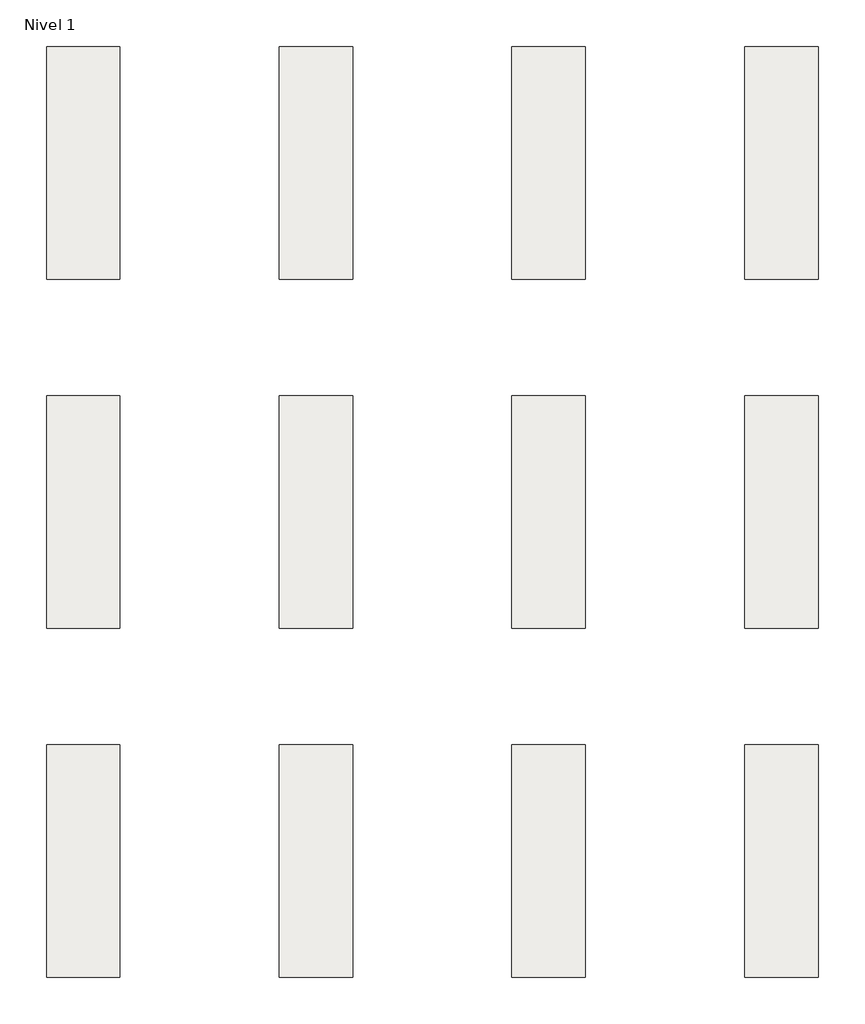
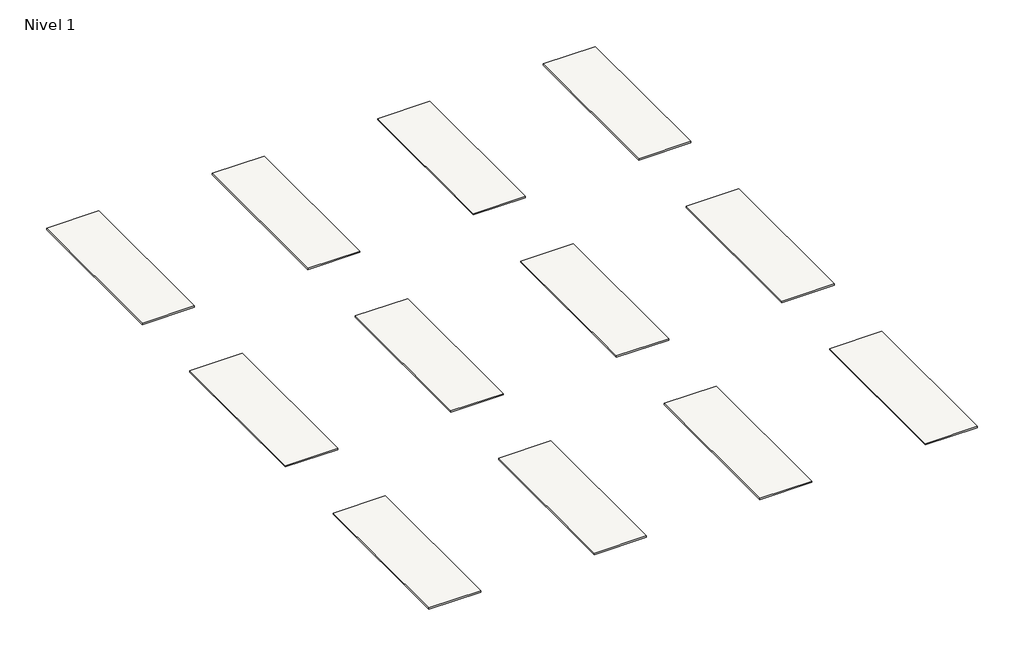
# One storey: 12 slabs.
"""IFC4 building model written with IfcOpenShell, lengths in millimetres."""

from ifc_helpers import new_model, si_unit, frame, origin, place, context, project, spatial, polyline, outline, extrude, element, save

model = new_model("IFC4")

# Units and contexts
model_context = context("Model", 3, world=origin())
ifc_project = project(units=[si_unit("LENGTHUNIT", "METRE", prefix="MILLI")], contexts=[model_context])

# Site, building, storey
site = spatial("IfcSite", under=ifc_project)
building = spatial("IfcBuilding", under=site)
storey = spatial("IfcBuildingStorey", under=building, Name="Nivel 1", Elevation=0.0)

# Slabs
placement = place(None, origin())
element("IfcSlab", 1, at=placement, inside=storey, context=model_context, shape_type="SweptSolid", body=[
    extrude(outline(polyline([(3000.0, 1000.0), (3315.0, 1000.0), (3315.0, 0.0), (3000.0, 0.0), (3000.0, 1000.0)])), frame((0.0, 0.0, -8.7), z_axis=(0.0, 0.0, 1.0), x_axis=(1.0, 0.0, 0.0)), (0.0, 0.0, 1.0), 8.7),
])
element("IfcSlab", 2, at=placement, inside=storey, context=model_context, shape_type="SweptSolid", body=[
    extrude(outline(polyline([(3000.0, -2000.0), (3315.0, -2000.0), (3315.0, -3000.0), (3000.0, -3000.0), (3000.0, -2000.0)])), frame((0.0, 0.0, -8.7), z_axis=(0.0, 0.0, 1.0), x_axis=(1.0, 0.0, 0.0)), (0.0, 0.0, 1.0), 8.7),
])
element("IfcSlab", 3, ObjectType="Circle Acero 315X1000 Rec.", at=placement, inside=storey, context=model_context, shape_type="SweptSolid", body=[
    extrude(outline(polyline([(1000.0, -500.0), (1315.0, -500.0), (1315.0, -1500.0), (1000.0, -1500.0), (1000.0, -500.0)])), frame((0.0, 0.0, -8.7), z_axis=(0.0, 0.0, 1.0), x_axis=(1.0, 0.0, 0.0)), (0.0, 0.0, 1.0), 8.7),
])
element("IfcSlab", 4, ObjectType="Circle Blanco 315X1000 Rec.", at=placement, inside=storey, context=model_context, shape_type="SweptSolid", body=[
    extrude(outline(polyline([(2000.0, -500.0), (2315.0, -500.0), (2315.0, -1500.0), (2000.0, -1500.0), (2000.0, -500.0)])), frame((0.0, 0.0, -8.7), z_axis=(0.0, 0.0, 1.0), x_axis=(1.0, 0.0, 0.0)), (0.0, 0.0, 1.0), 8.7),
])
element("IfcSlab", 5, ObjectType="Circle Bronce 315X1000 Rec.", at=placement, inside=storey, context=model_context, shape_type="SweptSolid", body=[
    extrude(outline(polyline([(0.0, -500.0), (315.0, -500.0), (315.0, -1500.0), (0.0, -1500.0), (0.0, -500.0)])), frame((0.0, 0.0, -8.7), z_axis=(0.0, 0.0, 1.0), x_axis=(1.0, 0.0, 0.0)), (0.0, 0.0, 1.0), 8.7),
])
element("IfcSlab", 6, ObjectType="Hexagon Blanco 315X1000 Rec.", at=placement, inside=storey, context=model_context, shape_type="SweptSolid", body=[
    extrude(outline(polyline([(0.0, -2000.0), (315.0, -2000.0), (315.0, -3000.0), (0.0, -3000.0), (0.0, -2000.0)])), frame((0.0, 0.0, -8.7), z_axis=(0.0, 0.0, 1.0), x_axis=(1.0, 0.0, 0.0)), (0.0, 0.0, 1.0), 8.7),
])
element("IfcSlab", 7, ObjectType="Hexagon Nude 315X1000 Rec.", at=placement, inside=storey, context=model_context, shape_type="SweptSolid", body=[
    extrude(outline(polyline([(2000.0, -2000.0), (2315.0, -2000.0), (2315.0, -3000.0), (2000.0, -3000.0), (2000.0, -2000.0)])), frame((0.0, 0.0, -8.7), z_axis=(0.0, 0.0, 1.0), x_axis=(1.0, 0.0, 0.0)), (0.0, 0.0, 1.0), 8.7),
])
element("IfcSlab", 8, ObjectType="Hexagon Tinta 315X1000 Rec.", at=placement, inside=storey, context=model_context, shape_type="SweptSolid", body=[
    extrude(outline(polyline([(1000.0, -2000.0), (1315.0, -2000.0), (1315.0, -3000.0), (1000.0, -3000.0), (1000.0, -2000.0)])), frame((0.0, 0.0, -8.7), z_axis=(0.0, 0.0, 1.0), x_axis=(1.0, 0.0, 0.0)), (0.0, 0.0, 1.0), 8.7),
])
element("IfcSlab", 9, ObjectType="Line 315X1000 Rec.", at=placement, inside=storey, context=model_context, shape_type="SweptSolid", body=[
    extrude(outline(polyline([(3000.0, -500.0), (3315.0, -500.0), (3315.0, -1500.0), (3000.0, -1500.0), (3000.0, -500.0)])), frame((0.0, 0.0, -8.7), z_axis=(0.0, 0.0, 1.0), x_axis=(1.0, 0.0, 0.0)), (0.0, 0.0, 1.0), 8.7),
])
element("IfcSlab", 10, ObjectType="Premium Gold 315X1000 Rec.", at=placement, inside=storey, context=model_context, shape_type="SweptSolid", body=[
    extrude(outline(polyline([(0.0, 1000.0), (315.0, 1000.0), (315.0, 0.0), (0.0, 0.0), (0.0, 1000.0)])), frame((0.0, 0.0, -8.7), z_axis=(0.0, 0.0, 1.0), x_axis=(1.0, 0.0, 0.0)), (0.0, 0.0, 1.0), 8.7),
])
element("IfcSlab", 11, ObjectType="Premium Rose 315X1000 Rec.", at=placement, inside=storey, context=model_context, shape_type="SweptSolid", body=[
    extrude(outline(polyline([(2000.0, 1000.0), (2315.0, 1000.0), (2315.0, 0.0), (2000.0, 0.0), (2000.0, 1000.0)])), frame((0.0, 0.0, -8.7), z_axis=(0.0, 0.0, 1.0), x_axis=(1.0, 0.0, 0.0)), (0.0, 0.0, 1.0), 8.7),
])
element("IfcSlab", 12, ObjectType="Premium Silver 315X1000 Rec.", at=placement, inside=storey, context=model_context, shape_type="SweptSolid", body=[
    extrude(outline(polyline([(1000.0, 1000.0), (1315.0, 1000.0), (1315.0, 0.0), (1000.0, 0.0), (1000.0, 1000.0)])), frame((0.0, 0.0, -8.7), z_axis=(0.0, 0.0, 1.0), x_axis=(1.0, 0.0, 0.0)), (0.0, 0.0, 1.0), 8.7),
])

save(model, "model.ifc")
